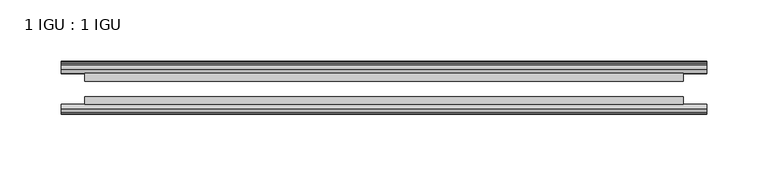
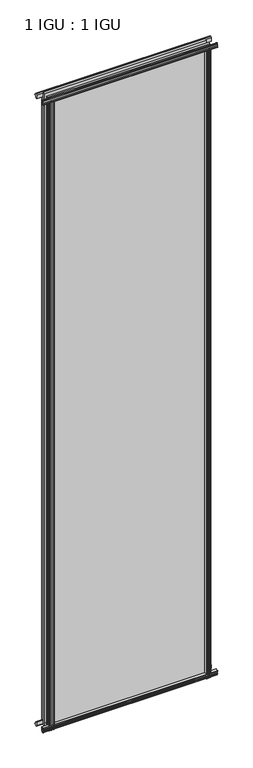
"""IFC4 building model written with IfcOpenShell, lengths in millimetres: plate geometry, 1 IGU : 1 IGU."""

from ifc_helpers import new_model, si_unit, point, frame, frame_2d, origin, place, context, project, spatial, polyline, circle_curve, trimmed, segment, composite_curve, outline, extrude, source, transform, mapped, element, save


def plate_1_igu_1_igu_50d1a514(model_context):
    return source(origin(), model_context, "Body", "SweptSolid", [
        extrude(outline(composite_curve([segment(polyline([(-46.2359545, 2001.8775265), (-46.2359545, 1990.8553092), (-53.3197108, 1992.2226185)]), True, "CONTINUOUS"), segment(trimmed(circle_curve(frame_2d((-53.1447545, 1993.2234413)), 1.016), [point((-53.3197108, 1992.2226185))], [point((-53.8888005, 1993.9152878))], False, "CARTESIAN"), True, "CONTINUOUS"), segment(polyline([(-53.8888005, 1993.9152878), (-52.5859205, 1993.7314413), (-52.5859205, 1999.1416413), (-54.0652165, 1999.4024811), (-52.5859205, 2001.9864413), (-52.5859205, 2005.1614413)]), True, "CONTINUOUS"), segment(trimmed(circle_curve(frame_2d((-51.3159205, 2005.1614413)), 1.27), [point((-52.5859205, 2005.1614413))], [point((-50.4178949, 2006.059467))], False, "CARTESIAN"), True, "CONTINUOUS"), segment(polyline([(-50.4178949, 2006.059467), (-46.2359545, 2001.8775265)]), True, "CONTINUOUS")], self_intersect=False)), frame((-263.4982712, 0.0, 0.0), z_axis=(1.0, 0.0, 0.0), x_axis=(0.0, 1.0, 0.0)), (0.0, 0.0, 1.0), 526.9965424),
        extrude(outline(polyline([(-17.4323375, 2006.3139519), (-14.4859375, 2006.3139519), (-14.4859375, 2001.8689519), (-12.1057405, 2001.4879519), (-12.5656738, 2002.903481), (-11.7644596, 2002.903481), (-11.0569375, 2000.7259519), (-11.7644596, 1998.5484229), (-12.5656738, 1998.5484229), (-12.1057405, 1999.9639519), (-14.4859375, 1999.5829519), (-14.4859375, 1994.3759519), (-20.8359545, 1992.6582293), (-20.8359545, 2003.4795957), (-17.4323375, 2006.3139519)])), frame((-263.4982712, 0.0, 0.0), z_axis=(1.0, 0.0, 0.0), x_axis=(0.0, 1.0, 0.0)), (0.0, 0.0, 1.0), 526.9965424),
        extrude(outline(polyline([(-20.8359545, 1.2049602), (-14.4859375, -0.5127625), (-14.4859375, -5.7197625), (-12.1057405, -6.1007625), (-12.5656738, -4.6852334), (-11.7644596, -4.6852334), (-11.0569375, -6.8627625), (-11.7644596, -9.0402916), (-12.5656738, -9.0402916), (-12.1057405, -7.6247625), (-14.4859375, -8.0057625), (-14.4859375, -12.4507625), (-17.4323375, -12.4507625), (-20.8359545, -9.6164062), (-20.8359545, 1.2049602)])), frame((-263.4982712, 0.0, 0.0), z_axis=(1.0, 0.0, 0.0), x_axis=(0.0, 1.0, 0.0)), (0.0, 0.0, 1.0), 526.9965424),
        extrude(outline(composite_curve([segment(polyline([(-53.3197108, 1.6405709), (-46.2359545, 3.0078803), (-46.2359545, -8.014337), (-50.4178949, -12.1962775)]), True, "CONTINUOUS"), segment(trimmed(circle_curve(frame_2d((-51.3159205, -11.2982519)), 1.27), [point((-50.4178949, -12.1962775))], [point((-52.5859205, -11.2982519))], False, "CARTESIAN"), True, "CONTINUOUS"), segment(polyline([(-52.5859205, -11.2982519), (-52.5859205, -8.1232519), (-54.0652165, -5.5392917), (-52.5859205, -5.2784519), (-52.5859205, 0.1317481), (-53.8888005, -0.0520983)]), True, "CONTINUOUS"), segment(trimmed(circle_curve(frame_2d((-53.1447545, 0.6397481)), 1.016), [point((-53.8888005, -0.0520983))], [point((-53.3197108, 1.6405709))], False, "CARTESIAN"), True, "CONTINUOUS")], self_intersect=False)), frame((-263.4982712, 0.0, 0.0), z_axis=(1.0, 0.0, 0.0), x_axis=(0.0, 1.0, 0.0)), (0.0, 0.0, 1.0), 526.9965424),
        extrude(outline(polyline([(-239.3977515, -12.1057405), (-240.8132805, -12.5656738), (-240.8132805, -11.7644596), (-238.6357515, -11.0569375), (-236.4582224, -11.7644596), (-236.4582224, -12.5656738), (-237.8737515, -12.1057405), (-237.4927515, -14.4859375), (-232.2857515, -14.4859375), (-230.5680334, -20.8359375), (-241.3894093, -20.8359375), (-244.2237515, -17.4323375), (-244.2237515, -14.4859375), (-239.7787515, -14.4859375), (-239.3977515, -12.1057405)])), frame((0.0, 0.0, -12.6752823), z_axis=(0.0, 0.0, 1.0), x_axis=(1.0, 0.0, 0.0)), (0.0, 0.0, 1.0), 2006.5384717),
        extrude(outline(composite_curve([segment(polyline([(-239.787309, -46.2359375), (-228.7651054, -46.2359375), (-230.1324181, -53.3197108)]), True, "CONTINUOUS"), segment(trimmed(circle_curve(frame_2d((-231.1332409, -53.1447545)), 1.016), [point((-230.1324181, -53.3197108))], [point((-231.8250873, -53.8888005))], False, "CARTESIAN"), True, "CONTINUOUS"), segment(polyline([(-231.8250873, -53.8888005), (-231.6412409, -52.5859205), (-237.0514409, -52.5859205), (-237.3122807, -54.0652165), (-239.8962409, -52.5859205), (-243.0712409, -52.5859205)]), True, "CONTINUOUS"), segment(trimmed(circle_curve(frame_2d((-243.0712409, -51.3159205)), 1.27), [point((-243.0712409, -52.5859205))], [point((-243.9692665, -50.4178949))], False, "CARTESIAN"), True, "CONTINUOUS"), segment(polyline([(-243.9692665, -50.4178949), (-239.787309, -46.2359375)]), True, "CONTINUOUS")], self_intersect=False)), frame((0.0, 0.0, -12.6752823), z_axis=(0.0, 0.0, 1.0), x_axis=(1.0, 0.0, 0.0)), (0.0, 0.0, 1.0), 2006.5384717),
        extrude(outline(composite_curve([segment(polyline([(230.1324181, -53.3197108), (228.7651054, -46.2359375), (239.787309, -46.2359375), (243.9692665, -50.4178949)]), True, "CONTINUOUS"), segment(trimmed(circle_curve(frame_2d((243.0712409, -51.3159205)), 1.27), [point((243.9692665, -50.4178949))], [point((243.0712409, -52.5859205))], False, "CARTESIAN"), True, "CONTINUOUS"), segment(polyline([(243.0712409, -52.5859205), (239.8962409, -52.5859205), (237.3122807, -54.0652165), (237.0514409, -52.5859205), (231.6412409, -52.5859205), (231.8642043, -53.8504091)]), True, "CONTINUOUS"), segment(trimmed(circle_curve(frame_2d((231.1332409, -53.1447545)), 1.016), [point((231.8642043, -53.8504091))], [point((230.1324181, -53.3197108))], False, "CARTESIAN"), True, "CONTINUOUS")], self_intersect=False)), frame((0.0, 0.0, -12.6752823), z_axis=(0.0, 0.0, 1.0), x_axis=(1.0, 0.0, 0.0)), (0.0, 0.0, 1.0), 2006.5384717),
        extrude(outline(polyline([(236.4582224, -11.7644596), (238.6357515, -11.0569375), (240.8132805, -11.7644596), (240.8132805, -12.5656738), (239.3977515, -12.1057405), (239.7787515, -14.4859375), (244.2237515, -14.4859375), (244.2237515, -17.4323375), (241.3894093, -20.8359375), (230.5680334, -20.8359375), (232.2857515, -14.4859375), (237.4927515, -14.4859375), (237.8737515, -12.1057405), (236.4582224, -12.5656738), (236.4582224, -11.7644596)])), frame((0.0, 0.0, -12.6752823), z_axis=(0.0, 0.0, 1.0), x_axis=(1.0, 0.0, 0.0)), (0.0, 0.0, 1.0), 2006.5384717),
        extrude(outline(polyline([(244.4482712, -20.8359375), (244.4482712, -27.1859375), (-244.4482712, -27.1859375), (-244.4482712, -20.8359375), (244.4482712, -20.8359375)])), frame((0.0, 0.0, -12.6752823), z_axis=(0.0, 0.0, 1.0), x_axis=(1.0, 0.0, 0.0)), (0.0, 0.0, 1.0), 2019.213754),
        extrude(outline(polyline([(-244.4482712, -46.2359375), (-244.4482712, -39.8859375), (244.4482712, -39.8859375), (244.4482712, -46.2359375), (-244.4482712, -46.2359375)])), frame((0.0, 0.0, -12.6752823), z_axis=(0.0, 0.0, 1.0), x_axis=(1.0, 0.0, 0.0)), (0.0, 0.0, 1.0), 2019.213754),
    ])


if __name__ == "__main__":
    model = new_model("IFC4")
    model_context = context("Model", 3, world=origin())
    ifc_project = project(units=[si_unit("LENGTHUNIT", "METRE", prefix="MILLI")], contexts=[model_context])
    site = spatial("IfcSite", under=ifc_project)
    building = spatial("IfcBuilding", under=site)
    placement = place(None, origin())
    plate_1_igu_1_igu_shape = plate_1_igu_1_igu_50d1a514(model_context)
    element("IfcPlate", 1, ObjectType="1 IGU : 1 IGU", at=placement, inside=building, context=model_context, shape_type="MappedRepresentation", body=[
        mapped(plate_1_igu_1_igu_shape, transform((0.0, 0.0, 0.0), x_axis=(1.0, 0.0, 0.0), y_axis=(0.0, 1.0, 0.0), z_axis=(0.0, 0.0, 1.0))),
    ])
    save(model, "model.ifc")
